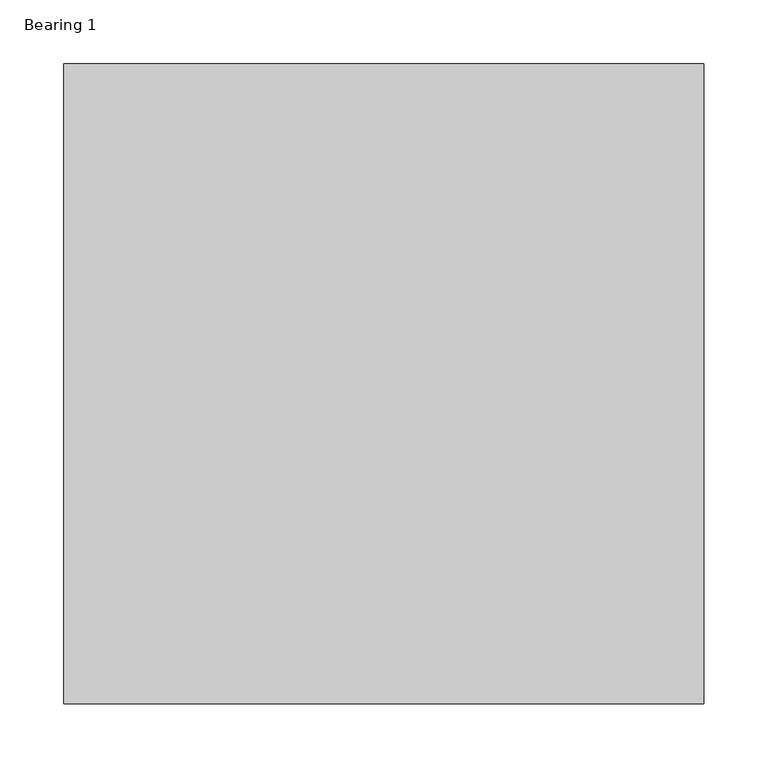
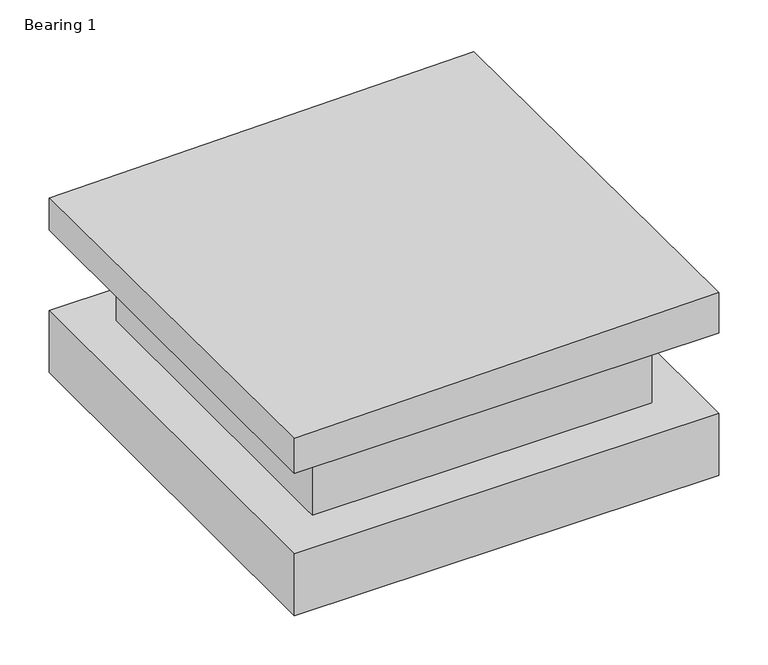
"""IFC4 building model written with IfcOpenShell, lengths in millimetres: proxy geometry, Bearing 1."""

from ifc_helpers import new_model, si_unit, frame, origin, origin_with_axes, place, context, project, spatial, polyline, outline, extrude, faceted_brep, source, transform, mapped, element, save


def bearing_1_658dafc0(model_context):
    return source(origin(), model_context, "Body", "SolidModel", [
        extrude(outline(polyline([(-250.0, 250.0), (250.0, 250.0), (250.0, -250.0), (-250.0, -250.0), (-250.0, 250.0)])), origin_with_axes(), (0.0, 0.0, 1.0), 77.0),
        faceted_brep([(-250.0, -250.0, 177.0), (250.0, -250.0, 177.0), (250.0, -250.0, 227.6559455), (-250.0, -250.0, 220.5956194), (-250.0, 250.0, 177.0), (-250.0, 250.0, 216.9998208), (250.0, 250.0, 177.0), (250.0, 250.0, 224.0601468)], [[[0, 1, 2, 3]], [[4, 0, 3, 5]], [[6, 4, 5, 7]], [[1, 6, 7, 2]], [[2, 7, 5, 3]], [[6, 1, 0, 4]]]),
        extrude(outline(polyline([(200.0, -200.0), (-200.0, -200.0), (-200.0, 200.0), (200.0, 200.0), (200.0, -200.0)])), frame((0.0, 0.0, 77.0), z_axis=(0.0, 0.0, 1.0), x_axis=(1.0, 0.0, 0.0)), (0.0, 0.0, 1.0), 100.0),
    ])


if __name__ == "__main__":
    model = new_model("IFC4")
    model_context = context("Model", 3, world=origin())
    ifc_project = project(units=[si_unit("LENGTHUNIT", "METRE", prefix="MILLI")], contexts=[model_context])
    site = spatial("IfcSite", under=ifc_project)
    building = spatial("IfcBuilding", under=site)
    placement = place(None, origin())
    bearing_1_shape = bearing_1_658dafc0(model_context)
    element("IfcBuildingElementProxy", 1, Name="Bearing 1", ObjectType="Bearing 1", at=placement, inside=building, context=model_context, shape_type="MappedRepresentation", body=[
        mapped(bearing_1_shape, transform((0.0, 0.0, 0.0), x_axis=(1.0, 0.0, 0.0), y_axis=(0.0, 1.0, 0.0), z_axis=(0.0, 0.0, 1.0))),
    ])
    save(model, "model.ifc")
